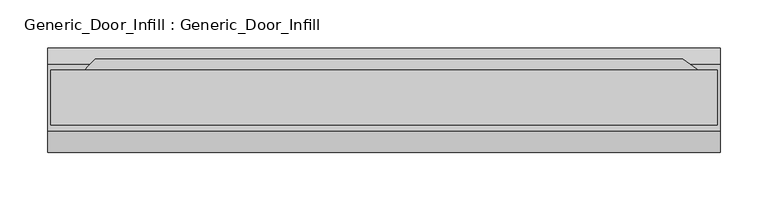
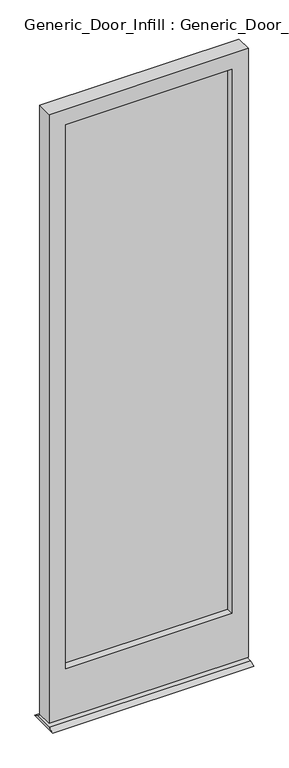
"""IFC4 building model written with IfcOpenShell, lengths in millimetres: plate geometry, Generic_Door_Infill : Generic_Door_Infill."""

from ifc_helpers import new_model, si_unit, frame, origin, place, context, project, spatial, polyline, outline, extrude, source, transform, mapped, element, save


def generic_door_infill_generic_door_infill_9f0af9b7(model_context):
    return source(origin(), model_context, "Body", "SweptSolid", [
        extrude(outline(polyline([(-301.9207378, 35.8230014), (312.3879623, 35.8230014), (338.0382321, 17.8624892), (-319.88125, 17.8624892), (-301.9207378, 35.8230014)])), frame((0.0, 0.0, 1090.3849987), z_axis=(0.0, 0.0, 1.0), x_axis=(1.0, 0.0, 0.0)), (0.0, 0.0, 1.0), 78.0150013),
        extrude(outline(polyline([(-291.30625, -7.5375108), (-291.30625, -1.1875108), (291.30625, -1.1875108), (291.30625, -7.5375108), (-291.30625, -7.5375108)])), frame((0.0, 0.0, 200.025), z_axis=(0.0, 0.0, 1.0), x_axis=(1.0, 0.0, 0.0)), (0.0, 0.0, 1.0), 2009.775),
        extrude(outline(polyline([(2266.95, 348.45625), (2266.95, -348.45625), (17.4625, -348.45625), (17.4625, 348.45625), (2266.95, 348.45625)]), holes=[polyline([(2209.8, 291.30625), (200.025, 291.30625), (200.025, -291.30625), (2209.8, -291.30625), (2209.8, 291.30625)])]), frame((0.0, -32.9375108, 0.0), z_axis=(0.0, 1.0, 0.0), x_axis=(0.0, 0.0, 1.0)), (0.0, 0.0, 1.0), 57.15),
        extrude(outline(polyline([(30.5624892, 8.0508779), (47.8276525, 0.0), (-61.407116, 0.0), (-39.2875108, 8.0508779), (30.5624892, 8.0508779)])), frame((-351.63125, 0.0, 0.0), z_axis=(1.0, 0.0, 0.0), x_axis=(0.0, 1.0, 0.0)), (0.0, 0.0, 1.0), 703.2625),
    ])


if __name__ == "__main__":
    model = new_model("IFC4")
    model_context = context("Model", 3, world=origin())
    ifc_project = project(units=[si_unit("LENGTHUNIT", "METRE", prefix="MILLI")], contexts=[model_context])
    site = spatial("IfcSite", under=ifc_project)
    building = spatial("IfcBuilding", under=site)
    placement = place(None, origin())
    generic_door_infill_generic_door_infill_shape = generic_door_infill_generic_door_infill_9f0af9b7(model_context)
    element("IfcPlate", 1, ObjectType="Generic_Door_Infill : Generic_Door_Infill", at=placement, inside=building, context=model_context, shape_type="MappedRepresentation", body=[
        mapped(generic_door_infill_generic_door_infill_shape, transform((0.0, 0.0, 0.0), x_axis=(1.0, 0.0, 0.0), y_axis=(0.0, 1.0, 0.0), z_axis=(0.0, 0.0, 1.0))),
    ])
    save(model, "model.ifc")
